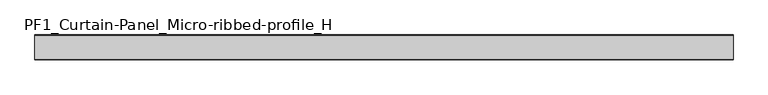
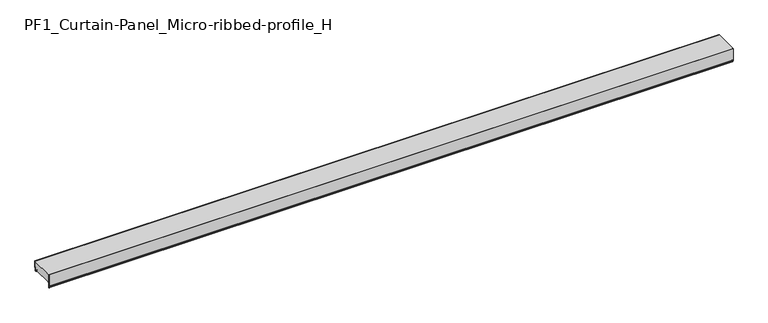
"""IFC4 building model written with IfcOpenShell, lengths in millimetres: plate geometry, PF1_Curtain-Panel_Micro-ribbed-profile_H."""

import ifcopenshell
import ifcopenshell.guid

model = None  # the IFC model being written
_history = None  # IfcOwnerHistory: only IFC2X3 demands one
_inside = {}  # id of a spatial element -> (the spatial element, [elements in it])
_under = {}  # id of a project, library or spatial element -> (it, [spatial elements below it])
_declared = {}  # id of a project -> (the project, [libraries it declares])
_typed = {}  # id of a type object -> (the type object, [elements of that type])
_made_of = {}  # id of a material, layer set ... -> (it, [elements and type objects made of it])


def new_model(schema):
    """Start an empty IFC model of exactly this schema.

    Asked for "IFC4X3", IfcOpenShell would pick the latest addendum, in which some entities
    have other attributes; the version numbers below select the first issue.
    IFC2X3 requires an IfcOwnerHistory on every rooted entity: one is made here for all.
    """
    global model, _history
    if schema == "IFC4X3":
        model = ifcopenshell.file(schema_version=(4, 3, 0, 0))
    else:
        model = ifcopenshell.file(schema=schema)
    _inside.clear()
    _under.clear()
    _declared.clear()
    _typed.clear()
    _made_of.clear()
    _history = None
    if model.schema == "IFC2X3":
        org = make("IfcOrganization", Name="unknown")
        user = make(
            "IfcPersonAndOrganization",
            ThePerson=make("IfcPerson", FamilyName="unknown"),
            TheOrganization=org,
        )
        app = make(
            "IfcApplication",
            ApplicationDeveloper=org,
            Version="unknown",
            ApplicationFullName="unknown",
            ApplicationIdentifier="unknown",
        )
        _history = make(
            "IfcOwnerHistory",
            OwningUser=user,
            OwningApplication=app,
            ChangeAction="ADDED",
            CreationDate=0,
        )
    return model


def make(cls, **values):
    """One entity of the class cls with the attributes given. An attribute that is None is left unset."""
    return model.create_entity(
        cls, **{name: value for name, value in values.items() if value is not None}
    )


def rooted(cls, **values):
    """An entity with a GlobalId (a new one), such as an element, a storey or a relation."""
    return make(cls, GlobalId=ifcopenshell.guid.new(), OwnerHistory=_history, **values)


def si_unit(unit_type, name, prefix=None):
    """IfcSIUnit, for example si_unit("LENGTHUNIT", "METRE", prefix="MILLI")."""
    return make("IfcSIUnit", UnitType=unit_type, Prefix=prefix, Name=name)


def assignment(units):
    """IfcUnitAssignment: the units of a project."""
    return None if units is None else make("IfcUnitAssignment", Units=units)


def point(xyz):
    """IfcCartesianPoint."""
    return None if xyz is None else make("IfcCartesianPoint", Coordinates=xyz)


def direction(xyz):
    """IfcDirection."""
    return None if xyz is None else make("IfcDirection", DirectionRatios=xyz)


def frame(location, z_axis=None, x_axis=None):
    """IfcAxis2Placement3D, a coordinate frame: its origin and axes. An axis left out is left unset."""
    return make(
        "IfcAxis2Placement3D",
        Location=point(location),
        Axis=direction(z_axis),
        RefDirection=direction(x_axis),
    )


def frame_2d(location, x_axis=None):
    """IfcAxis2Placement2D, a coordinate frame in the plane: its origin and x axis."""
    return make(
        "IfcAxis2Placement2D", Location=point(location), RefDirection=direction(x_axis)
    )


def origin():
    """The frame at (0, 0, 0) with its axes left unset."""
    return frame((0.0, 0.0, 0.0))


def place(relative_to, where):
    """IfcLocalPlacement: puts the frame where relative to a parent placement (None: the world)."""
    return make(
        "IfcLocalPlacement", PlacementRelTo=relative_to, RelativePlacement=where
    )


def context(
    kind, dimensions, precision=None, world=None, true_north=None, identifier=None
):
    """IfcGeometricRepresentationContext, for example the 3D "Model" context."""
    return make(
        "IfcGeometricRepresentationContext",
        ContextIdentifier=identifier,
        ContextType=kind,
        CoordinateSpaceDimension=dimensions,
        Precision=precision,
        WorldCoordinateSystem=world,
        TrueNorth=true_north,
    )


def project(units=None, contexts=None):
    """IfcProject with its units and contexts."""
    return rooted(
        "IfcProject",
        Name="project",
        RepresentationContexts=contexts,
        UnitsInContext=assignment(units),
    )


def spatial(cls, under=None, at=None, **own):
    """A site, building, storey or space (cls), placed at a placement, below another one or the project."""
    s = rooted(cls, ObjectPlacement=at, **own)
    if under is not None:
        _under.setdefault(under.id(), (under, []))[1].append(s)
    return s


def polyline(points):
    """IfcPolyline through the points."""
    return make("IfcPolyline", Points=[point(p) for p in points])


def circle_curve(where, radius):
    """IfcCircle in the frame where."""
    return make("IfcCircle", Position=where, Radius=radius)


def trimmed(basis, trim1, trim2, sense, master):
    """IfcTrimmedCurve: the piece of a basis curve between two trims."""
    return make(
        "IfcTrimmedCurve",
        BasisCurve=basis,
        Trim1=trim1,
        Trim2=trim2,
        SenseAgreement=sense,
        MasterRepresentation=master,
    )


def segment(curve, same_sense, transition):
    """IfcCompositeCurveSegment."""
    return make(
        "IfcCompositeCurveSegment",
        Transition=transition,
        SameSense=same_sense,
        ParentCurve=curve,
    )


def composite_curve(segments, self_intersect=None):
    """IfcCompositeCurve: segments joined end to end."""
    return make("IfcCompositeCurve", Segments=segments, SelfIntersect=self_intersect)


def outline(outer, holes=None, kind="AREA"):
    """IfcArbitraryClosedProfileDef: a profile drawn as a closed curve; with holes, ...WithVoids."""
    if holes is None:
        return make("IfcArbitraryClosedProfileDef", ProfileType=kind, OuterCurve=outer)
    return make(
        "IfcArbitraryProfileDefWithVoids",
        ProfileType=kind,
        OuterCurve=outer,
        InnerCurves=holes,
    )


def extrude(swept, where, along, depth):
    """IfcExtrudedAreaSolid: the profile swept, set in the frame where, extruded along a direction by depth."""
    return make(
        "IfcExtrudedAreaSolid",
        SweptArea=swept,
        Position=where,
        ExtrudedDirection=direction(along),
        Depth=depth,
    )


def shape(context_of_items, identifier, shape_type, items):
    """IfcShapeRepresentation: the items that make up one representation, for example the "Body"."""
    return make(
        "IfcShapeRepresentation",
        ContextOfItems=context_of_items,
        RepresentationIdentifier=identifier,
        RepresentationType=shape_type,
        Items=items,
    )


def source(mapping_origin, context_of_items, identifier, shape_type, items):
    """IfcRepresentationMap: a shape defined once, which mapped items show again and again."""
    return make(
        "IfcRepresentationMap",
        MappingOrigin=mapping_origin,
        MappedRepresentation=shape(context_of_items, identifier, shape_type, items),
    )


def transform(
    local_origin,
    x_axis=None,
    y_axis=None,
    z_axis=None,
    scale=None,
    scale2=None,
    scale3=None,
    uniform=True,
):
    """IfcCartesianTransformationOperator3D, or its non-uniform kind. x_axis, y_axis, z_axis: its Axis1, 2, 3."""
    if uniform:
        return make(
            "IfcCartesianTransformationOperator3D",
            Axis1=direction(x_axis),
            Axis2=direction(y_axis),
            LocalOrigin=point(local_origin),
            Scale=scale,
            Axis3=direction(z_axis),
        )
    return make(
        "IfcCartesianTransformationOperator3DnonUniform",
        Axis1=direction(x_axis),
        Axis2=direction(y_axis),
        LocalOrigin=point(local_origin),
        Scale=scale,
        Axis3=direction(z_axis),
        Scale2=scale2,
        Scale3=scale3,
    )


def mapped(mapping_source, mapping_target):
    """IfcMappedItem: shows the shape of a source again, moved by a transform."""
    return make(
        "IfcMappedItem", MappingSource=mapping_source, MappingTarget=mapping_target
    )


def made_of(thing, what):
    """Note that an element or type object is made of a material, layer set ...; save() writes the relation."""
    if what is not None:
        _made_of.setdefault(what.id(), (what, []))[1].append(thing)
    return thing


def element(
    cls,
    number,
    at=None,
    inside=None,
    cuts=None,
    type_object=None,
    material=None,
    context=None,
    identifier="Body",
    shape_type=None,
    held_by="IfcProductDefinitionShape",
    body=None,
    shapes=None,
    **own,
):
    """One element of the class cls, such as IfcWall. Its Tag is "e" and its number.

    at: its placement. inside: the storey or other place that contains it. cuts: it is an
    opening in that element (IfcRelVoidsElement). A single representation is given by context,
    identifier, shape_type and body (its items); several are given by shapes. held_by: the class
    of the entity that holds the representations. save() writes the other relations.
    """
    e = rooted(cls, Tag="e%d" % number, ObjectPlacement=at, **own)
    if body is not None:
        shapes = [shape(context, identifier, shape_type, body)]
    if shapes is not None:
        e.Representation = make(held_by, Representations=shapes)
    if inside is not None:
        _inside.setdefault(inside.id(), (inside, []))[1].append(e)
    if cuts is not None:
        rooted(
            "IfcRelVoidsElement", RelatingBuildingElement=cuts, RelatedOpeningElement=e
        )
    if type_object is not None:
        _typed.setdefault(type_object.id(), (type_object, []))[1].append(e)
    return made_of(e, material)


def aggregate(whole, parts):
    """IfcRelAggregates: a whole, such as a stair, and the parts it consists of."""
    return rooted("IfcRelAggregates", RelatingObject=whole, RelatedObjects=parts)


def save(model, path):
    """Write the relations noted so far, then the file.

    IfcRelAggregates (storeys below a building ...), IfcRelContainedInSpatialStructure (elements
    in a storey), IfcRelDefinesByType, IfcRelAssociatesMaterial and IfcRelDeclares: one each for
    every whole, place, type object, material and project.
    """
    for whole, parts in _under.values():
        aggregate(whole, parts)
    for where, things in _inside.values():
        rooted(
            "IfcRelContainedInSpatialStructure",
            RelatedElements=things,
            RelatingStructure=where,
        )
    for kind, things in _typed.values():
        rooted("IfcRelDefinesByType", RelatedObjects=things, RelatingType=kind)
    for what, things in _made_of.values():
        rooted("IfcRelAssociatesMaterial", RelatedObjects=things, RelatingMaterial=what)
    for by, libraries in _declared.values():
        rooted("IfcRelDeclares", RelatingContext=by, RelatedDefinitions=libraries)
    model.write(path)


def pf1_curtain_panel_micro_ribbed_profile_h_f44304b3(model_context):
    return source(origin(), model_context, "Body", "SweptSolid", [
        extrude(outline(composite_curve([segment(polyline([(-140.0, 0.0), (-143.5, 0.0)]), True, "CONTINUOUS"), segment(trimmed(circle_curve(frame_2d((-143.5, -2.0)), 2.0), [point((-143.5, 0.0))], [point((-145.5, -2.0))], True, "CARTESIAN"), True, "CONTINUOUS"), segment(polyline([(-145.5, -2.0), (-145.5, -33.0)]), True, "CONTINUOUS"), segment(trimmed(circle_curve(frame_2d((-146.5, -33.0)), 1.0), [point((-145.5, -33.0))], [point((-147.5, -33.0))], False, "CARTESIAN"), True, "CONTINUOUS"), segment(polyline([(-147.5, -33.0), (-147.5, -26.9)]), True, "CONTINUOUS"), segment(trimmed(circle_curve(frame_2d((-148.4, -26.9)), 0.9), [point((-147.5, -26.9))], [point((-148.4, -26.0))], True, "CARTESIAN"), True, "CONTINUOUS"), segment(trimmed(circle_curve(frame_2d((-148.4, -24.4)), 1.6), [point((-148.4, -26.0))], [point((-150.0, -24.4))], False, "CARTESIAN"), True, "CONTINUOUS"), segment(polyline([(-150.0, -24.4), (-150.0, 50.0), (-149.2, 50.0), (-149.2, -24.4)]), True, "CONTINUOUS"), segment(trimmed(circle_curve(frame_2d((-148.4, -24.4)), 0.8), [point((-149.2, -24.4))], [point((-148.4, -25.2))], True, "CARTESIAN"), True, "CONTINUOUS"), segment(trimmed(circle_curve(frame_2d((-148.6133333, -26.9)), 1.7133333), [point((-148.4, -25.2))], [point((-146.9, -26.9))], False, "CARTESIAN"), True, "CONTINUOUS"), segment(polyline([(-146.9, -26.9), (-146.9, -32.8700312)]), True, "CONTINUOUS"), segment(trimmed(circle_curve(frame_2d((-146.6, -32.8700312)), 0.3), [point((-146.9, -32.8700312))], [point((-146.3, -32.8700312))], True, "CARTESIAN"), True, "CONTINUOUS"), segment(polyline([(-146.3, -32.8700312), (-146.3, -2.0)]), True, "CONTINUOUS"), segment(trimmed(circle_curve(frame_2d((-143.5, -2.0)), 2.8), [point((-146.3, -2.0))], [point((-143.5, 0.8))], False, "CARTESIAN"), True, "CONTINUOUS"), segment(polyline([(-143.5, 0.8), (-140.0, 0.8), (-140.0, 0.0)]), True, "CONTINUOUS")], self_intersect=False)), frame((-2100.0, 0.0, 0.0), z_axis=(1.0, 0.0, 0.0), x_axis=(0.0, 1.0, 0.0)), (0.0, 0.0, 1.0), 4200.0),
        extrude(outline(composite_curve([segment(polyline([(-15.878557, 0.0), (-20.0, 0.0), (-20.0, 0.8), (-15.878557, 0.8)]), True, "CONTINUOUS"), segment(trimmed(circle_curve(frame_2d((-15.878557, -2.0)), 2.8), [point((-15.878557, 0.8))], [point((-13.1503208, -1.370137))], False, "CARTESIAN"), True, "CONTINUOUS"), segment(polyline([(-13.1503208, -1.370137), (-11.728236, -7.529863)]), True, "CONTINUOUS"), segment(trimmed(circle_curve(frame_2d((-9.0, -6.9)), 2.8), [point((-11.728236, -7.529863))], [point((-6.2, -6.9))], True, "CARTESIAN"), True, "CONTINUOUS"), segment(polyline([(-6.2, -6.9), (-6.2, 8.6)]), True, "CONTINUOUS"), segment(trimmed(circle_curve(frame_2d((-3.4, 8.6)), 2.8), [point((-6.2, 8.6))], [point((-3.4, 11.4))], False, "CARTESIAN"), True, "CONTINUOUS"), segment(polyline([(-3.4, 11.4), (-2.0, 11.4)]), True, "CONTINUOUS"), segment(trimmed(circle_curve(frame_2d((-2.0, 12.6)), 1.2), [point((-2.0, 11.4))], [point((-0.8, 12.6))], True, "CARTESIAN"), True, "CONTINUOUS"), segment(polyline([(-0.8, 12.6), (-0.8, 50.0), (0.0, 50.0), (0.0, 12.6)]), True, "CONTINUOUS"), segment(trimmed(circle_curve(frame_2d((-2.0, 12.6)), 2.0), [point((0.0, 12.6))], [point((-2.0, 10.6))], False, "CARTESIAN"), True, "CONTINUOUS"), segment(polyline([(-2.0, 10.6), (-3.4, 10.6)]), True, "CONTINUOUS"), segment(trimmed(circle_curve(frame_2d((-3.4, 8.6)), 2.0), [point((-3.4, 10.6))], [point((-5.4, 8.6))], True, "CARTESIAN"), True, "CONTINUOUS"), segment(polyline([(-5.4, 8.6), (-5.4, -6.9)]), True, "CONTINUOUS"), segment(trimmed(circle_curve(frame_2d((-9.0, -6.9)), 3.6), [point((-5.4, -6.9))], [point((-12.5077322, -7.7098239))], False, "CARTESIAN"), True, "CONTINUOUS"), segment(polyline([(-12.5077322, -7.7098239), (-13.929817, -1.5500979)]), True, "CONTINUOUS"), segment(trimmed(circle_curve(frame_2d((-15.878557, -2.0)), 2.0), [point((-13.929817, -1.5500979))], [point((-15.878557, 0.0))], True, "CARTESIAN"), True, "CONTINUOUS")], self_intersect=False)), frame((-2100.0, 0.0, 0.0), z_axis=(1.0, 0.0, 0.0), x_axis=(0.0, 1.0, 0.0)), (0.0, 0.0, 1.0), 4200.0),
        extrude(outline(composite_curve([segment(polyline([(-140.0, 0.8), (-143.5, 0.8)]), True, "CONTINUOUS"), segment(trimmed(circle_curve(frame_2d((-143.5, -2.0)), 2.8), [point((-143.5, 0.8))], [point((-146.3, -2.0))], True, "CARTESIAN"), True, "CONTINUOUS"), segment(polyline([(-146.3, -2.0), (-146.3, -32.8700312)]), True, "CONTINUOUS"), segment(trimmed(circle_curve(frame_2d((-146.6, -32.8700312)), 0.3), [point((-146.3, -32.8700312))], [point((-146.9, -32.8700312))], False, "CARTESIAN"), True, "CONTINUOUS"), segment(polyline([(-146.9, -32.8700312), (-146.9, -26.9)]), True, "CONTINUOUS"), segment(trimmed(circle_curve(frame_2d((-148.6133333, -26.9)), 1.7133333), [point((-146.9, -26.9))], [point((-148.4, -25.2))], True, "CARTESIAN"), True, "CONTINUOUS"), segment(trimmed(circle_curve(frame_2d((-148.4, -24.4)), 0.8), [point((-148.4, -25.2))], [point((-149.2, -24.4))], False, "CARTESIAN"), True, "CONTINUOUS"), segment(polyline([(-149.2, -24.4), (-149.2, 50.0), (-0.8, 50.0), (-0.8, 12.6)]), True, "CONTINUOUS"), segment(trimmed(circle_curve(frame_2d((-2.0, 12.6)), 1.2), [point((-0.8, 12.6))], [point((-2.0, 11.4))], False, "CARTESIAN"), True, "CONTINUOUS"), segment(polyline([(-2.0, 11.4), (-3.4, 11.4)]), True, "CONTINUOUS"), segment(trimmed(circle_curve(frame_2d((-3.4, 8.6)), 2.8), [point((-3.4, 11.4))], [point((-6.2, 8.6))], True, "CARTESIAN"), True, "CONTINUOUS"), segment(polyline([(-6.2, 8.6), (-6.2, -6.9)]), True, "CONTINUOUS"), segment(trimmed(circle_curve(frame_2d((-9.0, -6.9)), 2.8), [point((-6.2, -6.9))], [point((-11.7282362, -7.529863))], False, "CARTESIAN"), True, "CONTINUOUS"), segment(polyline([(-11.7282362, -7.529863), (-13.1503208, -1.370137)]), True, "CONTINUOUS"), segment(trimmed(circle_curve(frame_2d((-15.878557, -2.0)), 2.8), [point((-13.1503208, -1.370137))], [point((-15.878557, 0.8))], True, "CARTESIAN"), True, "CONTINUOUS"), segment(polyline([(-15.878557, 0.8), (-20.0, 0.8), (-20.0, 0.0), (-140.0, 0.0), (-140.0, 0.8)]), True, "CONTINUOUS")], self_intersect=False)), frame((-2100.0, 0.0, 0.0), z_axis=(1.0, 0.0, 0.0), x_axis=(0.0, 1.0, 0.0)), (0.0, 0.0, 1.0), 4200.0),
    ])


if __name__ == "__main__":
    model = new_model("IFC4")
    model_context = context("Model", 3, world=origin())
    ifc_project = project(units=[si_unit("LENGTHUNIT", "METRE", prefix="MILLI")], contexts=[model_context])
    site = spatial("IfcSite", under=ifc_project)
    building = spatial("IfcBuilding", under=site)
    placement = place(None, origin())
    pf1_curtain_panel_micro_ribbed_profile_h_shape = pf1_curtain_panel_micro_ribbed_profile_h_f44304b3(model_context)
    element("IfcPlate", 1, ObjectType="PF1_Curtain-Panel_Micro-ribbed-profile_H", at=placement, inside=building, context=model_context, shape_type="MappedRepresentation", body=[
        mapped(pf1_curtain_panel_micro_ribbed_profile_h_shape, transform((0.0, 0.0, 0.0), x_axis=(1.0, 0.0, 0.0), y_axis=(0.0, 1.0, 0.0), z_axis=(0.0, 0.0, 1.0))),
    ])
    save(model, "model.ifc")
